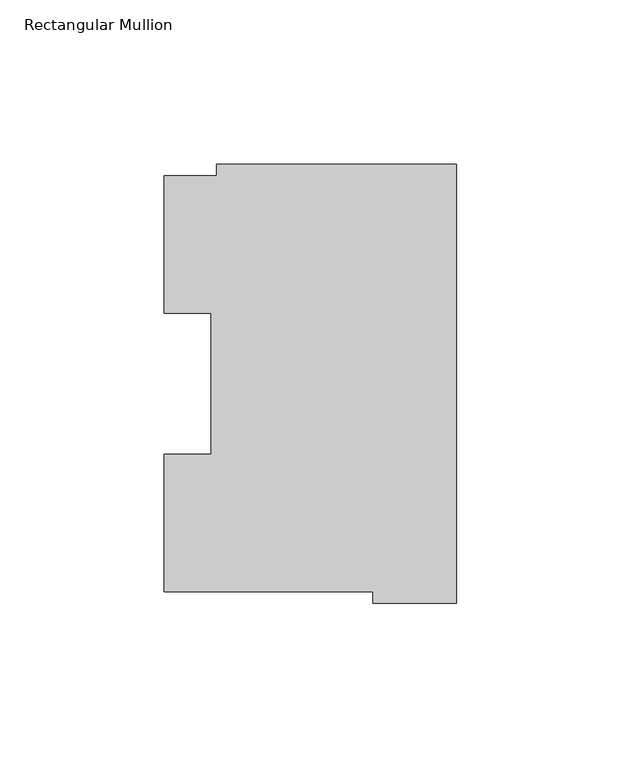
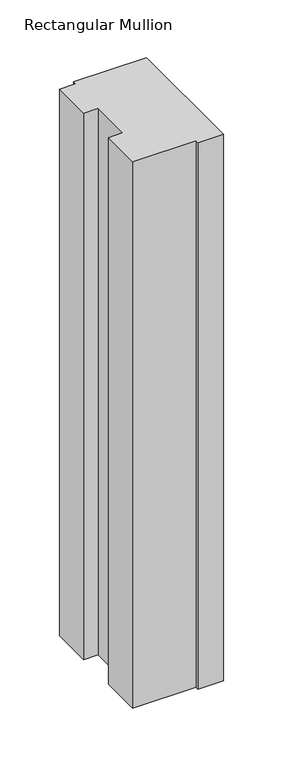
"""IFC4 building model written with IfcOpenShell, lengths in millimetres: member geometry, Rectangular Mullion."""

from ifc_helpers import new_model, si_unit, frame, origin, place, context, project, spatial, polyline, outline, extrude, source, transform, mapped, element, save


def rectangular_mullion_a4d06955(model_context):
    return source(origin(), model_context, "Body", "SweptSolid", [
        extrude(outline(polyline([(-72.9776553, 129.8730275), (0.0, 129.8730275), (0.0, -3.4911943), (-25.3822228, -3.4911943), (-25.3822228, -0.0373063), (-88.8822228, -0.0373063), (-88.8822228, 41.7508474), (-74.5923808, 41.7508474), (-74.5923808, 84.6335938), (-88.8822228, 84.6335938), (-88.8822228, 126.4546938), (-72.9776553, 126.4546938), (-72.9776553, 129.8730275)])), frame((0.0, 0.0, -577.85), z_axis=(0.0, 0.0, 1.0), x_axis=(1.0, 0.0, 0.0)), (0.0, 0.0, 1.0), 577.85),
    ])


if __name__ == "__main__":
    model = new_model("IFC4")
    model_context = context("Model", 3, world=origin())
    ifc_project = project(units=[si_unit("LENGTHUNIT", "METRE", prefix="MILLI")], contexts=[model_context])
    site = spatial("IfcSite", under=ifc_project)
    building = spatial("IfcBuilding", under=site)
    placement = place(None, origin())
    rectangular_mullion_shape = rectangular_mullion_a4d06955(model_context)
    element("IfcMember", 1, ObjectType="Rectangular Mullion", at=placement, inside=building, context=model_context, shape_type="MappedRepresentation", body=[
        mapped(rectangular_mullion_shape, transform((0.0, 0.0, 0.0), x_axis=(1.0, 0.0, 0.0), y_axis=(0.0, 1.0, 0.0), z_axis=(0.0, 0.0, 1.0))),
    ])
    save(model, "model.ifc")
